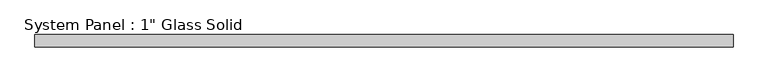
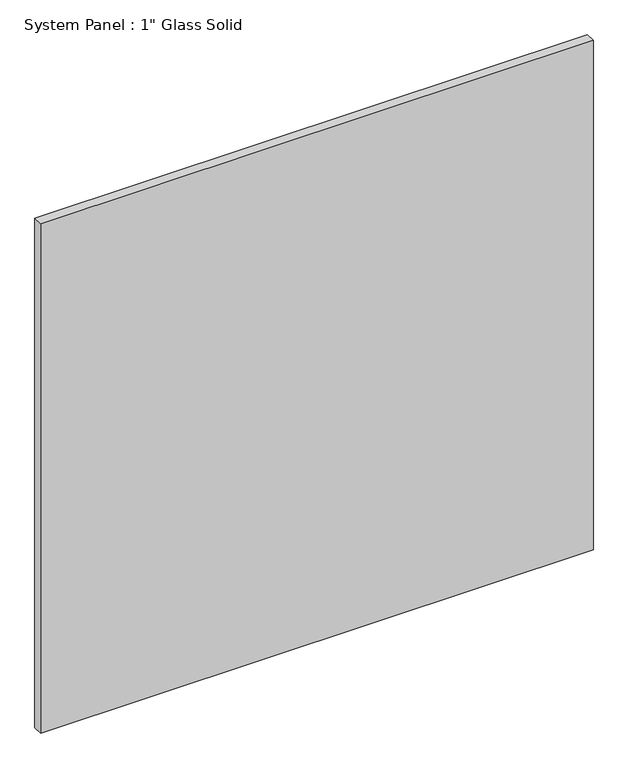
"""IFC4 building model written with IfcOpenShell, lengths in millimetres: plate geometry."""

import ifcopenshell
import ifcopenshell.guid

model = None  # the IFC model being written
_history = None  # IfcOwnerHistory: only IFC2X3 demands one
_inside = {}  # id of a spatial element -> (the spatial element, [elements in it])
_under = {}  # id of a project, library or spatial element -> (it, [spatial elements below it])
_declared = {}  # id of a project -> (the project, [libraries it declares])
_typed = {}  # id of a type object -> (the type object, [elements of that type])
_made_of = {}  # id of a material, layer set ... -> (it, [elements and type objects made of it])


def new_model(schema):
    """Start an empty IFC model of exactly this schema.

    Asked for "IFC4X3", IfcOpenShell would pick the latest addendum, in which some entities
    have other attributes; the version numbers below select the first issue.
    IFC2X3 requires an IfcOwnerHistory on every rooted entity: one is made here for all.
    """
    global model, _history
    if schema == "IFC4X3":
        model = ifcopenshell.file(schema_version=(4, 3, 0, 0))
    else:
        model = ifcopenshell.file(schema=schema)
    _inside.clear()
    _under.clear()
    _declared.clear()
    _typed.clear()
    _made_of.clear()
    _history = None
    if model.schema == "IFC2X3":
        org = make("IfcOrganization", Name="unknown")
        user = make(
            "IfcPersonAndOrganization",
            ThePerson=make("IfcPerson", FamilyName="unknown"),
            TheOrganization=org,
        )
        app = make(
            "IfcApplication",
            ApplicationDeveloper=org,
            Version="unknown",
            ApplicationFullName="unknown",
            ApplicationIdentifier="unknown",
        )
        _history = make(
            "IfcOwnerHistory",
            OwningUser=user,
            OwningApplication=app,
            ChangeAction="ADDED",
            CreationDate=0,
        )
    return model


def make(cls, **values):
    """One entity of the class cls with the attributes given. An attribute that is None is left unset."""
    return model.create_entity(
        cls, **{name: value for name, value in values.items() if value is not None}
    )


def rooted(cls, **values):
    """An entity with a GlobalId (a new one), such as an element, a storey or a relation."""
    return make(cls, GlobalId=ifcopenshell.guid.new(), OwnerHistory=_history, **values)


def si_unit(unit_type, name, prefix=None):
    """IfcSIUnit, for example si_unit("LENGTHUNIT", "METRE", prefix="MILLI")."""
    return make("IfcSIUnit", UnitType=unit_type, Prefix=prefix, Name=name)


def assignment(units):
    """IfcUnitAssignment: the units of a project."""
    return None if units is None else make("IfcUnitAssignment", Units=units)


def point(xyz):
    """IfcCartesianPoint."""
    return None if xyz is None else make("IfcCartesianPoint", Coordinates=xyz)


def direction(xyz):
    """IfcDirection."""
    return None if xyz is None else make("IfcDirection", DirectionRatios=xyz)


def frame(location, z_axis=None, x_axis=None):
    """IfcAxis2Placement3D, a coordinate frame: its origin and axes. An axis left out is left unset."""
    return make(
        "IfcAxis2Placement3D",
        Location=point(location),
        Axis=direction(z_axis),
        RefDirection=direction(x_axis),
    )


def origin():
    """The frame at (0, 0, 0) with its axes left unset."""
    return frame((0.0, 0.0, 0.0))


def origin_with_axes():
    """The frame at (0, 0, 0) with the z axis (0, 0, 1) and the x axis (1, 0, 0) written out."""
    return frame((0.0, 0.0, 0.0), z_axis=(0.0, 0.0, 1.0), x_axis=(1.0, 0.0, 0.0))


def place(relative_to, where):
    """IfcLocalPlacement: puts the frame where relative to a parent placement (None: the world)."""
    return make(
        "IfcLocalPlacement", PlacementRelTo=relative_to, RelativePlacement=where
    )


def context(
    kind, dimensions, precision=None, world=None, true_north=None, identifier=None
):
    """IfcGeometricRepresentationContext, for example the 3D "Model" context."""
    return make(
        "IfcGeometricRepresentationContext",
        ContextIdentifier=identifier,
        ContextType=kind,
        CoordinateSpaceDimension=dimensions,
        Precision=precision,
        WorldCoordinateSystem=world,
        TrueNorth=true_north,
    )


def project(units=None, contexts=None):
    """IfcProject with its units and contexts."""
    return rooted(
        "IfcProject",
        Name="project",
        RepresentationContexts=contexts,
        UnitsInContext=assignment(units),
    )


def spatial(cls, under=None, at=None, **own):
    """A site, building, storey or space (cls), placed at a placement, below another one or the project."""
    s = rooted(cls, ObjectPlacement=at, **own)
    if under is not None:
        _under.setdefault(under.id(), (under, []))[1].append(s)
    return s


def polyline(points):
    """IfcPolyline through the points."""
    return make("IfcPolyline", Points=[point(p) for p in points])


def outline(outer, holes=None, kind="AREA"):
    """IfcArbitraryClosedProfileDef: a profile drawn as a closed curve; with holes, ...WithVoids."""
    if holes is None:
        return make("IfcArbitraryClosedProfileDef", ProfileType=kind, OuterCurve=outer)
    return make(
        "IfcArbitraryProfileDefWithVoids",
        ProfileType=kind,
        OuterCurve=outer,
        InnerCurves=holes,
    )


def extrude(swept, where, along, depth):
    """IfcExtrudedAreaSolid: the profile swept, set in the frame where, extruded along a direction by depth."""
    return make(
        "IfcExtrudedAreaSolid",
        SweptArea=swept,
        Position=where,
        ExtrudedDirection=direction(along),
        Depth=depth,
    )


def shape(context_of_items, identifier, shape_type, items):
    """IfcShapeRepresentation: the items that make up one representation, for example the "Body"."""
    return make(
        "IfcShapeRepresentation",
        ContextOfItems=context_of_items,
        RepresentationIdentifier=identifier,
        RepresentationType=shape_type,
        Items=items,
    )


def source(mapping_origin, context_of_items, identifier, shape_type, items):
    """IfcRepresentationMap: a shape defined once, which mapped items show again and again."""
    return make(
        "IfcRepresentationMap",
        MappingOrigin=mapping_origin,
        MappedRepresentation=shape(context_of_items, identifier, shape_type, items),
    )


def transform(
    local_origin,
    x_axis=None,
    y_axis=None,
    z_axis=None,
    scale=None,
    scale2=None,
    scale3=None,
    uniform=True,
):
    """IfcCartesianTransformationOperator3D, or its non-uniform kind. x_axis, y_axis, z_axis: its Axis1, 2, 3."""
    if uniform:
        return make(
            "IfcCartesianTransformationOperator3D",
            Axis1=direction(x_axis),
            Axis2=direction(y_axis),
            LocalOrigin=point(local_origin),
            Scale=scale,
            Axis3=direction(z_axis),
        )
    return make(
        "IfcCartesianTransformationOperator3DnonUniform",
        Axis1=direction(x_axis),
        Axis2=direction(y_axis),
        LocalOrigin=point(local_origin),
        Scale=scale,
        Axis3=direction(z_axis),
        Scale2=scale2,
        Scale3=scale3,
    )


def mapped(mapping_source, mapping_target):
    """IfcMappedItem: shows the shape of a source again, moved by a transform."""
    return make(
        "IfcMappedItem", MappingSource=mapping_source, MappingTarget=mapping_target
    )


def made_of(thing, what):
    """Note that an element or type object is made of a material, layer set ...; save() writes the relation."""
    if what is not None:
        _made_of.setdefault(what.id(), (what, []))[1].append(thing)
    return thing


def element(
    cls,
    number,
    at=None,
    inside=None,
    cuts=None,
    type_object=None,
    material=None,
    context=None,
    identifier="Body",
    shape_type=None,
    held_by="IfcProductDefinitionShape",
    body=None,
    shapes=None,
    **own,
):
    """One element of the class cls, such as IfcWall. Its Tag is "e" and its number.

    at: its placement. inside: the storey or other place that contains it. cuts: it is an
    opening in that element (IfcRelVoidsElement). A single representation is given by context,
    identifier, shape_type and body (its items); several are given by shapes. held_by: the class
    of the entity that holds the representations. save() writes the other relations.
    """
    e = rooted(cls, Tag="e%d" % number, ObjectPlacement=at, **own)
    if body is not None:
        shapes = [shape(context, identifier, shape_type, body)]
    if shapes is not None:
        e.Representation = make(held_by, Representations=shapes)
    if inside is not None:
        _inside.setdefault(inside.id(), (inside, []))[1].append(e)
    if cuts is not None:
        rooted(
            "IfcRelVoidsElement", RelatingBuildingElement=cuts, RelatedOpeningElement=e
        )
    if type_object is not None:
        _typed.setdefault(type_object.id(), (type_object, []))[1].append(e)
    return made_of(e, material)


def aggregate(whole, parts):
    """IfcRelAggregates: a whole, such as a stair, and the parts it consists of."""
    return rooted("IfcRelAggregates", RelatingObject=whole, RelatedObjects=parts)


def save(model, path):
    """Write the relations noted so far, then the file.

    IfcRelAggregates (storeys below a building ...), IfcRelContainedInSpatialStructure (elements
    in a storey), IfcRelDefinesByType, IfcRelAssociatesMaterial and IfcRelDeclares: one each for
    every whole, place, type object, material and project.
    """
    for whole, parts in _under.values():
        aggregate(whole, parts)
    for where, things in _inside.values():
        rooted(
            "IfcRelContainedInSpatialStructure",
            RelatedElements=things,
            RelatingStructure=where,
        )
    for kind, things in _typed.values():
        rooted("IfcRelDefinesByType", RelatedObjects=things, RelatingType=kind)
    for what, things in _made_of.values():
        rooted("IfcRelAssociatesMaterial", RelatedObjects=things, RelatingMaterial=what)
    for by, libraries in _declared.values():
        rooted("IfcRelDeclares", RelatingContext=by, RelatedDefinitions=libraries)
    model.write(path)


def plate_55752d46(model_context):
    return source(origin(), model_context, "Body", "SweptSolid", [
        extrude(outline(polyline([(720.7755347, -12.7), (-720.7755347, -12.7), (-720.7755347, 12.7), (720.7755347, 12.7), (720.7755347, -12.7)])), origin_with_axes(), (0.0, 0.0, 1.0), 1404.0991382),
    ])


if __name__ == "__main__":
    model = new_model("IFC4")
    model_context = context("Model", 3, world=origin())
    ifc_project = project(units=[si_unit("LENGTHUNIT", "METRE", prefix="MILLI")], contexts=[model_context])
    site = spatial("IfcSite", under=ifc_project)
    building = spatial("IfcBuilding", under=site)
    placement = place(None, origin())
    plate_shape = plate_55752d46(model_context)
    element("IfcPlate", 1, ObjectType="System Panel : 1\" Glass Solid", at=placement, inside=building, context=model_context, shape_type="MappedRepresentation", body=[
        mapped(plate_shape, transform((0.0, 0.0, 0.0), x_axis=(1.0, 0.0, 0.0), y_axis=(0.0, 1.0, 0.0), z_axis=(0.0, 0.0, 1.0))),
    ])
    save(model, "model.ifc")
